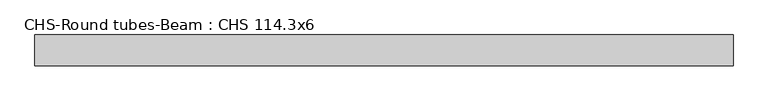
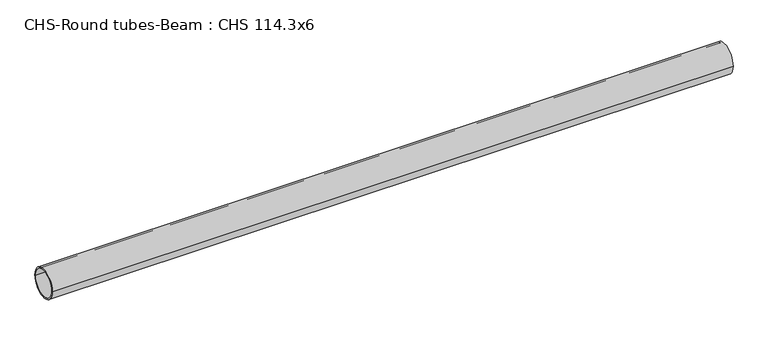
"""IFC4 building model written with IfcOpenShell, lengths in millimetres: beam geometry, CHS-Round tubes-Beam : CHS 114.3x6."""

from ifc_helpers import new_model, si_unit, point, frame, origin, origin_2d, place, context, project, spatial, circle_curve, trimmed, segment, composite_curve, outline, extrude, source, transform, mapped, element, save


def chs_round_tubes_beam_chs_114_3x6_dd660667(model_context):
    return source(origin(), model_context, "Body", "SweptSolid", [
        extrude(outline(composite_curve([segment(trimmed(circle_curve(origin_2d(), 57.15), [point((57.15, 0.0))], [point((-57.15, 0.0))], False, "CARTESIAN"), True, "CONTINUOUS"), segment(trimmed(circle_curve(origin_2d(), 57.15), [point((-57.15, 0.0))], [point((57.15, 0.0))], False, "CARTESIAN"), True, "CONTINUOUS")], self_intersect=False), holes=[composite_curve([segment(trimmed(circle_curve(origin_2d(), 51.15), [point((51.15, 0.0))], [point((-51.15, 0.0))], True, "CARTESIAN"), True, "CONTINUOUS"), segment(trimmed(circle_curve(origin_2d(), 51.15), [point((-51.15, 0.0))], [point((51.15, 0.0))], True, "CARTESIAN"), True, "CONTINUOUS")], self_intersect=False)]), frame((-1257.6755349, 0.0, 0.0), z_axis=(1.0, 0.0, 0.0), x_axis=(0.0, 1.0, 0.0)), (0.0, 0.0, 1.0), 2588.021102),
    ])


if __name__ == "__main__":
    model = new_model("IFC4")
    model_context = context("Model", 3, world=origin())
    ifc_project = project(units=[si_unit("LENGTHUNIT", "METRE", prefix="MILLI")], contexts=[model_context])
    site = spatial("IfcSite", under=ifc_project)
    building = spatial("IfcBuilding", under=site)
    placement = place(None, origin())
    chs_round_tubes_beam_chs_114_3x6_shape = chs_round_tubes_beam_chs_114_3x6_dd660667(model_context)
    element("IfcBeam", 1, ObjectType="CHS-Round tubes-Beam : CHS 114.3x6", at=placement, inside=building, context=model_context, shape_type="MappedRepresentation", body=[
        mapped(chs_round_tubes_beam_chs_114_3x6_shape, transform((0.0, 0.0, 0.0), x_axis=(1.0, 0.0, 0.0), y_axis=(0.0, 1.0, 0.0), z_axis=(0.0, 0.0, 1.0))),
    ])
    save(model, "model.ifc")
